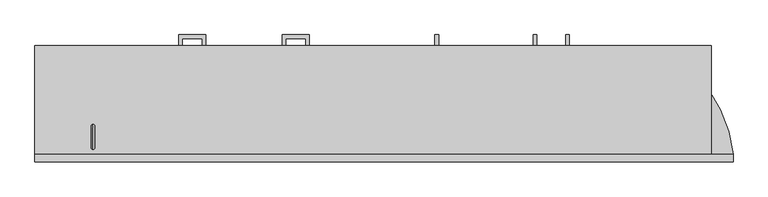
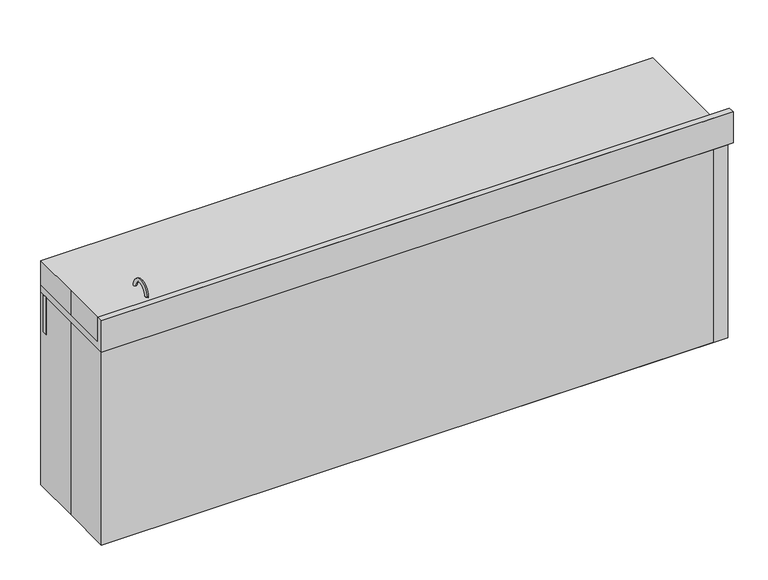
"""IFC4 building model written with IfcOpenShell, lengths in millimetres: proxy geometry."""

from ifc_helpers import new_model, si_unit, point, frame, frame_2d, origin, origin_with_axes, place, context, project, spatial, polyline, circle_curve, ellipse_curve, trimmed, segment, composite_curve, outline, extrude, source, transform, mapped, element, save
from ifc_brep_helpers import plane_surface, cylinder_surface, revolved_surface, advanced_brep


def specialty_equipment_7c618755(model_context):
    return source(origin(), model_context, "Body", "SolidModel", [
        extrude(outline(polyline([(-355.6, 241.3), (-260.35, 241.3), (-260.35, 203.2), (-273.0340701, 203.2), (-273.0340701, 228.6159299), (-342.9159299, 228.6159299), (-342.9159299, 203.2), (-355.6, 203.2), (-355.6, 241.3)])), frame((0.0, 0.0, 447.675), z_axis=(0.0, 0.0, 1.0), x_axis=(1.0, 0.0, 0.0)), (0.0, 0.0, 1.0), 12.7),
        extrude(outline(polyline([(-355.6, 241.3), (-260.35, 241.3), (-260.35, 203.2), (-273.0340701, 203.2), (-273.0340701, 228.6159299), (-342.9159299, 228.6159299), (-342.9159299, 203.2), (-355.6, 203.2), (-355.6, 241.3)])), frame((0.0, 0.0, 559.4775234), z_axis=(0.0, 0.0, 1.0), x_axis=(1.0, 0.0, 0.0)), (0.0, 0.0, 1.0), 12.7),
        extrude(outline(polyline([(-355.6, 241.3), (-260.35, 241.3), (-260.35, 203.2), (-273.0340701, 203.2), (-273.0340701, 228.6159299), (-342.9159299, 228.6159299), (-342.9159299, 203.2), (-355.6, 203.2), (-355.6, 241.3)])), frame((0.0, 0.0, 702.2975909), z_axis=(0.0, 0.0, 1.0), x_axis=(1.0, 0.0, 0.0)), (0.0, 0.0, 1.0), 12.7),
        extrude(outline(polyline([(-717.55, 241.3), (-622.3, 241.3), (-622.3, 203.2), (-634.9840701, 203.2), (-634.9840701, 228.6159299), (-704.8659299, 228.6159299), (-704.8659299, 203.2), (-717.55, 203.2), (-717.55, 241.3)])), frame((0.0, 0.0, 702.2975909), z_axis=(0.0, 0.0, 1.0), x_axis=(1.0, 0.0, 0.0)), (0.0, 0.0, 1.0), 12.7),
        extrude(outline(polyline([(-717.55, 241.3), (-622.3, 241.3), (-622.3, 203.2), (-634.9840701, 203.2), (-634.9840701, 228.6159299), (-704.8659299, 228.6159299), (-704.8659299, 203.2), (-717.55, 203.2), (-717.55, 241.3)])), frame((0.0, 0.0, 559.4775234), z_axis=(0.0, 0.0, 1.0), x_axis=(1.0, 0.0, 0.0)), (0.0, 0.0, 1.0), 12.7),
        extrude(outline(polyline([(-717.55, 241.3), (-622.3, 241.3), (-622.3, 203.2), (-634.9840701, 203.2), (-634.9840701, 228.6159299), (-704.8659299, 228.6159299), (-704.8659299, 203.2), (-717.55, 203.2), (-717.55, 241.3)])), frame((0.0, 0.0, 447.675), z_axis=(0.0, 0.0, 1.0), x_axis=(1.0, 0.0, 0.0)), (0.0, 0.0, 1.0), 12.7),
        extrude(outline(polyline([(-717.55, 241.3), (-622.3, 241.3), (-622.3, 203.2), (-634.9840701, 203.2), (-634.9840701, 228.6159299), (-704.8659299, 228.6159299), (-704.8659299, 203.2), (-717.55, 203.2), (-717.55, 241.3)])), frame((0.0, 0.0, 346.075), z_axis=(0.0, 0.0, 1.0), x_axis=(1.0, 0.0, 0.0)), (0.0, 0.0, 1.0), 12.7),
        extrude(outline(polyline([(-717.55, 241.3), (-622.3, 241.3), (-622.3, 203.2), (-634.9840701, 203.2), (-634.9840701, 228.6159299), (-704.8659299, 228.6159299), (-704.8659299, 203.2), (-717.55, 203.2), (-717.55, 241.3)])), frame((0.0, 0.0, 200.7091385), z_axis=(0.0, 0.0, 1.0), x_axis=(1.0, 0.0, 0.0)), (0.0, 0.0, 1.0), 12.7),
        extrude(outline(polyline([(241.3, 639.5889522), (203.2, 639.5889522), (203.2, 652.2730222), (228.6159299, 652.2730222), (228.6159299, 718.2400602), (203.2, 718.2400602), (203.2, 734.8389522), (241.3, 734.8389522), (241.3, 639.5889522)])), frame((635.0, 0.0, 0.0), z_axis=(1.0, 0.0, 0.0), x_axis=(0.0, 1.0, 0.0)), (0.0, 0.0, 1.0), 12.7),
        extrude(outline(polyline([(241.3, 639.5889522), (203.2, 639.5889522), (203.2, 652.2730222), (228.6159299, 652.2730222), (228.6159299, 718.2400602), (203.2, 718.2400602), (203.2, 734.8389522), (241.3, 734.8389522), (241.3, 639.5889522)])), frame((520.7, 0.0, 0.0), z_axis=(1.0, 0.0, 0.0), x_axis=(0.0, 1.0, 0.0)), (0.0, 0.0, 1.0), 12.7),
        extrude(outline(polyline([(241.3, 639.5889522), (203.2, 639.5889522), (203.2, 652.2730222), (228.6159299, 652.2730222), (228.6159299, 718.2400602), (203.2, 718.2400602), (203.2, 734.8389522), (241.3, 734.8389522), (241.3, 639.5889522)])), frame((177.8, 0.0, 0.0), z_axis=(1.0, 0.0, 0.0), x_axis=(0.0, 1.0, 0.0)), (0.0, 0.0, 1.0), 12.7),
        advanced_brep(
        [(-1014.0443585, 165.0080446, 787.3899582), (-1014.0443585, 153.8955446, 787.3899582), (-1014.0443585, -128.6794554, 787.3899582), (-1014.0443585, -139.7919554, 787.3899582), (-1014.0443585, 152.3080446, 785.8024582), (-1014.0443585, -127.0919554, 785.8024582), (-1014.0443585, 152.3080446, 730.25), (-1014.0443585, -127.0919554, 730.25), (-1014.0443585, 101.5080446, 679.45), (-1014.0443585, 25.2053012, 679.45), (-1003.5461263, 12.6976148, 679.45), (-1014.0443585, 0.1899284, 679.45), (-1014.0443585, -76.2919554, 679.45), (-1028.9461263, 12.6976148, 679.45), (-1014.0443585, 158.6580446, 676.275), (-1014.0443585, 158.6580446, 784.0168572), (-1014.0443585, -133.4419554, 784.0168572), (-1014.0443585, -133.4419554, 676.275), (-1014.0443585, 165.0080446, 784.0168572), (-1014.0443585, -139.7919554, 784.0168572), (-1014.0443585, 0.1899284, 676.275), (-1003.5461263, 12.6976148, 676.275), (-1014.0443585, 25.2053012, 676.275), (-1028.9461263, 12.6976148, 676.275)],
        [
            (0, 1),
            (1, 2, circle_curve(frame((-1014.0443585, 12.6080446, 787.3899582), z_axis=(0.0, 0.0, -1.0), x_axis=(0.0, -1.0, 0.0)), 141.2875)),
            (2, 3),
            (3, 0, circle_curve(frame((-1014.0443585, 12.6080446, 787.3899582), z_axis=(0.0, 0.0, 1.0), x_axis=(0.0, -1.0, 0.0)), 152.4)),
            (2, 1, circle_curve(frame((-1014.0443585, 12.6080446, 787.3899582), z_axis=(0.0, 0.0, -1.0), x_axis=(0.0, -1.0, 0.0)), 141.2875)),
            (0, 3, circle_curve(frame((-1014.0443585, 12.6080446, 787.3899582), z_axis=(0.0, 0.0, 1.0), x_axis=(0.0, -1.0, 0.0)), 152.4)),
            (1, 4, circle_curve(frame((-1014.0443585, 153.8955446, 785.8024582), z_axis=(1.0, 0.0, 0.0), x_axis=(0.0, 1.0, 0.0)), 1.5875)),
            (4, 5, circle_curve(frame((-1014.0443585, 12.6080446, 785.8024582), z_axis=(0.0, 0.0, -1.0), x_axis=(0.0, -1.0, 0.0)), 139.7)),
            (5, 2, circle_curve(frame((-1014.0443585, -128.6794554, 785.8024582), z_axis=(1.0, 0.0, 0.0), x_axis=(0.0, -1.0, 0.0)), 1.5875)),
            (5, 4, circle_curve(frame((-1014.0443585, 12.6080446, 785.8024582), z_axis=(0.0, 0.0, -1.0), x_axis=(0.0, -1.0, 0.0)), 139.7)),
            (4, 6),
            (6, 7, circle_curve(frame((-1014.0443585, 12.6080446, 730.25), z_axis=(0.0, 0.0, -1.0), x_axis=(0.0, -1.0, 0.0)), 139.7)),
            (7, 5),
            (7, 6, circle_curve(frame((-1014.0443585, 12.6080446, 730.25), z_axis=(0.0, 0.0, -1.0), x_axis=(0.0, -1.0, 0.0)), 139.7)),
            (8, 9),
            (9, 10, circle_curve(frame((-1016.2461263, 12.6976148, 679.45), z_axis=(0.0, 0.0, -1.0), x_axis=(-1.0, 0.0, 0.0)), 12.7)),
            (10, 11, circle_curve(frame((-1016.2461263, 12.6976148, 679.45), z_axis=(0.0, 0.0, -1.0), x_axis=(-1.0, 0.0, 0.0)), 12.7)),
            (11, 12),
            (12, 8, circle_curve(frame((-1014.0443585, 12.6080446, 679.45), z_axis=(0.0, 0.0, 1.0), x_axis=(0.0, -1.0, 0.0)), 88.9)),
            (11, 13, circle_curve(frame((-1016.2461263, 12.6976148, 679.45), z_axis=(0.0, 0.0, -1.0), x_axis=(-1.0, 0.0, 0.0)), 12.7)),
            (13, 9, circle_curve(frame((-1016.2461263, 12.6976148, 679.45), z_axis=(0.0, 0.0, -1.0), x_axis=(-1.0, 0.0, 0.0)), 12.7)),
            (8, 12, circle_curve(frame((-1014.0443585, 12.6080446, 679.45), z_axis=(0.0, 0.0, 1.0), x_axis=(0.0, -1.0, 0.0)), 88.9)),
            (14, 15),
            (15, 16, circle_curve(frame((-1014.0443585, 12.6080446, 784.0168572), z_axis=(0.0, 0.0, -1.0), x_axis=(0.0, -1.0, 0.0)), 146.05)),
            (16, 17),
            (17, 14, circle_curve(frame((-1014.0443585, 12.6080446, 676.275), z_axis=(0.0, 0.0, 1.0), x_axis=(0.0, -1.0, 0.0)), 146.05)),
            (16, 15, circle_curve(frame((-1014.0443585, 12.6080446, 784.0168572), z_axis=(0.0, 0.0, -1.0), x_axis=(0.0, -1.0, 0.0)), 146.05)),
            (14, 17, circle_curve(frame((-1014.0443585, 12.6080446, 676.275), z_axis=(0.0, 0.0, 1.0), x_axis=(0.0, -1.0, 0.0)), 146.05)),
            (15, 18),
            (18, 19, circle_curve(frame((-1014.0443585, 12.6080446, 784.0168572), z_axis=(0.0, 0.0, -1.0), x_axis=(0.0, -1.0, 0.0)), 152.4)),
            (19, 16),
            (19, 18, circle_curve(frame((-1014.0443585, 12.6080446, 784.0168572), z_axis=(0.0, 0.0, -1.0), x_axis=(0.0, -1.0, 0.0)), 152.4)),
            (3, 19),
            (18, 0),
            (17, 20),
            (20, 21, circle_curve(frame((-1016.2461263, 12.6976148, 676.275), z_axis=(0.0, 0.0, 1.0), x_axis=(-1.0, 0.0, 0.0)), 12.7)),
            (21, 22, circle_curve(frame((-1016.2461263, 12.6976148, 676.275), z_axis=(0.0, 0.0, 1.0), x_axis=(-1.0, 0.0, 0.0)), 12.7)),
            (22, 14),
            (22, 23, circle_curve(frame((-1016.2461263, 12.6976148, 676.275), z_axis=(0.0, 0.0, 1.0), x_axis=(-1.0, 0.0, 0.0)), 12.7)),
            (23, 20, circle_curve(frame((-1016.2461263, 12.6976148, 676.275), z_axis=(0.0, 0.0, 1.0), x_axis=(-1.0, 0.0, 0.0)), 12.7)),
            (6, 8, circle_curve(frame((-1014.0443585, 101.5080446, 730.25), z_axis=(-1.0, 0.0, 0.0), x_axis=(0.0, 1.0, 0.0)), 50.8)),
            (12, 7, circle_curve(frame((-1014.0443585, -76.2919554, 730.25), z_axis=(-1.0, 0.0, 0.0), x_axis=(0.0, -1.0, 0.0)), 50.8)),
            (21, 10),
            (13, 23),
        ],
        [
            plane_surface(frame((-1014.0443585, 12.6080446, 787.3899582), z_axis=(0.0, 0.0, 1.0), x_axis=(0.0, -1.0, 0.0))),
            revolved_surface(trimmed(ellipse_curve(frame((-1014.0443585, -128.6794554, 785.8024582), z_axis=(1.0, 0.0, 0.0), x_axis=(0.0, -1.0, 0.0)), 1.5875, 1.5875), [point((-1014.0443585, -127.0919554, 785.8024582))], [point((-1014.0443585, -128.6794554, 787.3899582))], True, "CARTESIAN"), (-1014.0443585, 12.6080446, 787.4), (0.0, 0.0, -1.0)),
            revolved_surface(polyline([(-1014.0443585, -127.09195539999999, 730.25), (-1014.0443585, -127.09195539999999, 785.8024582)]), (-1014.0443585, 12.6080446, 787.4), (0.0, 0.0, -1.0)),
            plane_surface(frame((-1014.0443585, 12.6080446, 679.45), z_axis=(0.0, 0.0, 1.0), x_axis=(0.0, -1.0, 0.0))),
            cylinder_surface(frame((-1014.0443585, 12.6080446, 787.4), z_axis=(0.0, 0.0, -1.0), x_axis=(0.0, -1.0, 0.0)), 146.05),
            plane_surface(frame((-1014.0443585, 12.6080446, 784.0168572), z_axis=(0.0, 0.0, -1.0), x_axis=(0.0, -1.0, 0.0))),
            cylinder_surface(frame((-1014.0443585, 12.6080446, 787.4), z_axis=(0.0, 0.0, -1.0), x_axis=(0.0, -1.0, 0.0)), 152.4),
            plane_surface(frame((-1014.0443585, 12.6080446, 676.275), z_axis=(0.0, 0.0, -1.0), x_axis=(0.0, -1.0, 0.0))),
            revolved_surface(trimmed(ellipse_curve(frame((-1014.0443585, -76.2919554, 730.25), z_axis=(-1.0, 0.0, 0.0), x_axis=(0.0, -1.0, 0.0)), 50.8, 50.8), [point((-1014.0443585, -76.2919554, 679.45))], [point((-1014.0443585, -127.0919554, 730.25))], True, "CARTESIAN"), (-1014.0443585, 12.6080446, 787.4), (0.0, 0.0, -1.0)),
            revolved_surface(polyline([(-1028.9461263, 12.6976148, 679.45), (-1028.9461263, 12.6976148, 676.275)]), (-1016.2461263, 12.6976148, 673.1), (0.0, 0.0, 1.0)),
        ],
        [
            (0, [[1, 2, 3, 4]]),
            (0, [[5, -1, 6, -3]]),
            (1, [[7, 8, 9, -2]]),
            (1, [[-9, 10, -7, -5]]),
            (2, [[11, 12, 13, -8]]),
            (2, [[-13, 14, -11, -10]]),
            (3, [[15, 16, 17, 18, 19]]),
            (3, [[-18, 20, 21, -15, 22]]),
            (4, [[23, 24, 25, 26]]),
            (4, [[27, -23, 28, -25]]),
            (5, [[29, 30, 31, -24]]),
            (5, [[-31, 32, -29, -27]]),
            (6, [[33, -30, 34, -4]]),
            (6, [[-34, -32, -33, -6]]),
            (7, [[35, 36, 37, 38, -26]]),
            (7, [[-38, 39, 40, -35, -28]]),
            (8, [[41, -19, 42, -12]]),
            (8, [[-42, -22, -41, -14]]),
            (9, [[-39, -37, 43, -16, -21, 44]]),
            (9, [[-20, -17, -43, -36, -40, -44]]),
        ],
    ),
        extrude(outline(polyline([(-1219.2, 184.15), (-850.9, 184.15), (-850.9, 165.1), (-1219.2, 165.1), (-1219.2, 184.15)])), frame((0.0, 0.0, 635.0), z_axis=(0.0, 0.0, 1.0), x_axis=(1.0, 0.0, 0.0)), (0.0, 0.0, 1.0), 152.4),
        extrude(outline(polyline([(184.15, 101.6), (184.15, 787.2846899), (193.675, 787.2846899), (193.675, 774.4822891), (203.2, 774.4822891), (203.2, 101.6), (184.15, 101.6)])), frame((584.2, 0.0, 0.0), z_axis=(1.0, 0.0, 0.0), x_axis=(0.0, 1.0, 0.0)), (0.0, 0.0, 1.0), 355.6),
        extrude(outline(polyline([(184.15, 101.6), (184.15, 787.4), (193.675, 787.4), (193.675, 774.7), (203.2, 774.7), (203.2, 101.6), (184.15, 101.6)])), frame((228.6, 0.0, 0.0), z_axis=(1.0, 0.0, 0.0), x_axis=(0.0, 1.0, 0.0)), (0.0, 0.0, 1.0), 355.6),
        extrude(outline(polyline([(184.15, 101.6), (184.15, 787.4), (193.675, 787.4), (193.675, 774.7), (203.2, 774.7), (203.2, 101.6), (184.15, 101.6)])), frame((-127.0, 0.0, 0.0), z_axis=(1.0, 0.0, 0.0), x_axis=(0.0, 1.0, 0.0)), (0.0, 0.0, 1.0), 355.6),
        extrude(outline(polyline([(193.675, 774.7), (203.2, 774.7), (203.2, 635.0), (184.15, 635.0), (184.15, 787.4), (193.675, 787.4), (193.675, 774.7)])), frame((-482.6, 0.0, 0.0), z_axis=(1.0, 0.0, 0.0), x_axis=(0.0, 1.0, 0.0)), (0.0, 0.0, 1.0), 355.6),
        extrude(outline(polyline([(193.675, 622.9156171), (203.2, 622.9156171), (203.2, 508.0524006), (184.15, 508.0524006), (184.15, 635.0), (193.675, 635.0), (193.675, 622.9156171)])), frame((-482.6, 0.0, 0.0), z_axis=(1.0, 0.0, 0.0), x_axis=(0.0, 1.0, 0.0)), (0.0, 0.0, 1.0), 355.6),
        extrude(outline(polyline([(193.675, 495.2120809), (203.2, 495.2120809), (203.2, 101.6), (184.15, 101.6), (184.15, 508.0517033), (193.675, 508.0517033), (193.675, 495.2120809)])), frame((-482.6, 0.0, 0.0), z_axis=(1.0, 0.0, 0.0), x_axis=(0.0, 1.0, 0.0)), (0.0, 0.0, 1.0), 355.6),
        extrude(outline(composite_curve([segment(trimmed(circle_curve(frame_2d((-1053.7479232, -156.0133962)), 12.7), [point((-1041.0479232, -156.0133962))], [point((-1066.4479232, -156.0133962))], False, "CARTESIAN"), True, "CONTINUOUS"), segment(trimmed(circle_curve(frame_2d((-1053.7479232, -156.0133962)), 12.7), [point((-1066.4479232, -156.0133962))], [point((-1041.0479232, -156.0133962))], False, "CARTESIAN"), True, "CONTINUOUS")], self_intersect=False)), frame((0.0, 0.0, 812.8), z_axis=(0.0, 0.0, 1.0), x_axis=(1.0, 0.0, 0.0)), (0.0, 0.0, 1.0), 31.75),
        extrude(outline(composite_curve([segment(trimmed(circle_curve(frame_2d((-980.5384765, -156.0133962)), 12.7), [point((-967.8384765, -156.0133962))], [point((-993.2384765, -156.0133962))], False, "CARTESIAN"), True, "CONTINUOUS"), segment(trimmed(circle_curve(frame_2d((-980.5384765, -156.0133962)), 12.7), [point((-993.2384765, -156.0133962))], [point((-967.8384765, -156.0133962))], False, "CARTESIAN"), True, "CONTINUOUS")], self_intersect=False)), frame((0.0, 0.0, 812.8), z_axis=(0.0, 0.0, 1.0), x_axis=(1.0, 0.0, 0.0)), (0.0, 0.0, 1.0), 31.75),
        advanced_brep(
        [(-1016.415785, -148.0147812, 812.8), (-1016.415785, -160.7147812, 812.8), (-1016.415785, -148.0147812, 914.4), (-1016.415785, -160.7147812, 914.4), (-1016.415785, -84.5147812, 914.4), (-1016.415785, -71.8147812, 914.4)],
        [
            (0, 1, circle_curve(frame((-1016.415785, -154.3647812, 812.8), z_axis=(0.0, 0.0, -1.0), x_axis=(0.0, -1.0, 0.0)), 6.35)),
            (1, 0, circle_curve(frame((-1016.415785, -154.3647812, 812.8), z_axis=(0.0, 0.0, -1.0), x_axis=(0.0, -1.0, 0.0)), 6.35)),
            (0, 2),
            (2, 3, circle_curve(frame((-1016.415785, -154.3647812, 914.4), z_axis=(0.0, 0.0, -1.0), x_axis=(0.0, -1.0, 0.0)), 6.35)),
            (3, 1),
            (3, 2, circle_curve(frame((-1016.415785, -154.3647812, 914.4), z_axis=(0.0, 0.0, -1.0), x_axis=(0.0, -1.0, 0.0)), 6.35)),
            (4, 5, circle_curve(frame((-1016.415785, -78.1647812, 914.4), z_axis=(0.0, 0.0, -1.0), x_axis=(0.0, 1.0, 0.0)), 6.35)),
            (5, 4, circle_curve(frame((-1016.415785, -78.1647812, 914.4), z_axis=(0.0, 0.0, -1.0), x_axis=(0.0, 1.0, 0.0)), 6.35)),
            (5, 3, circle_curve(frame((-1016.415785, -116.2647812, 914.4), z_axis=(1.0, 0.0, 0.0), x_axis=(0.0, -1.0, 0.0)), 44.45)),
            (2, 4, circle_curve(frame((-1016.415785, -116.2647812, 914.4), z_axis=(-1.0, 0.0, 0.0), x_axis=(0.0, -1.0, 0.0)), 31.75)),
        ],
        [
            plane_surface(frame((-1104.9, -154.3647812, 812.8), z_axis=(0.0, 0.0, -1.0), x_axis=(-1.0, 0.0, 0.0))),
            cylinder_surface(frame((-1016.415785, -154.3647812, 812.8), z_axis=(0.0, 0.0, -1.0), x_axis=(0.0, -1.0, 0.0)), 6.35),
            plane_surface(frame((-1104.9, -78.1647812, 914.4), z_axis=(0.0, 0.0, -1.0), x_axis=(-1.0, 0.0, 0.0))),
            revolved_surface(trimmed(ellipse_curve(frame((-1016.415785, -154.3647812, 914.4), z_axis=(0.0, 0.0, 1.0), x_axis=(0.0, -1.0, 0.0)), 6.35, 6.35), [point((-1016.415785, -160.7147812, 914.4))], [point((-1016.415785, -148.0147812, 914.4))], True, "CARTESIAN"), (-1104.9, -116.2647812, 914.4), (1.0, 0.0, 0.0)),
            revolved_surface(trimmed(ellipse_curve(frame((-1016.415785, -154.3647812, 914.4), z_axis=(0.0, 0.0, 1.0), x_axis=(0.0, -1.0, 0.0)), 6.35, 6.35), [point((-1016.415785, -148.0147812, 914.4))], [point((-1016.415785, -160.7147812, 914.4))], True, "CARTESIAN"), (-1104.9, -116.2647812, 914.4), (1.0, 0.0, 0.0)),
        ],
        [
            (0, [[1, 2]]),
            (1, [[3, 4, 5, -1]]),
            (1, [[-5, 6, -3, -2]]),
            (2, [[7, 8]]),
            (3, [[-8, 9, -4, 10]]),
            (4, [[-7, -10, -6, -9]]),
        ],
    ),
        extrude(outline(polyline([(193.675, 774.7), (203.2, 774.7), (203.2, 635.0), (184.15, 635.0), (184.15, 787.4), (193.675, 787.4), (193.675, 774.7)])), frame((-838.2, 0.0, 0.0), z_axis=(1.0, 0.0, 0.0), x_axis=(0.0, 1.0, 0.0)), (0.0, 0.0, 1.0), 355.6),
        extrude(outline(polyline([(193.675, 622.9156171), (203.2, 622.9156171), (203.2, 508.0), (184.15, 508.0), (184.15, 635.0), (193.675, 635.0), (193.675, 622.9156171)])), frame((-838.2, 0.0, 0.0), z_axis=(1.0, 0.0, 0.0), x_axis=(0.0, 1.0, 0.0)), (0.0, 0.0, 1.0), 355.6),
        extrude(outline(polyline([(193.675, 495.3), (203.2, 495.3), (203.2, 406.4), (184.15, 406.4), (184.15, 508.0), (193.675, 508.0), (193.675, 495.3)])), frame((-838.2, 0.0, 0.0), z_axis=(1.0, 0.0, 0.0), x_axis=(0.0, 1.0, 0.0)), (0.0, 0.0, 1.0), 355.6),
        extrude(outline(polyline([(193.675, 393.7), (203.2, 393.7), (203.2, 304.8), (184.15, 304.8), (184.15, 406.4), (193.675, 406.4), (193.675, 393.7)])), frame((-838.2, 0.0, 0.0), z_axis=(1.0, 0.0, 0.0), x_axis=(0.0, 1.0, 0.0)), (0.0, 0.0, 1.0), 355.6),
        extrude(outline(polyline([(193.675, 292.1), (203.2, 292.1), (203.2, 101.6), (184.15, 101.6), (184.15, 304.8), (193.675, 304.8), (193.675, 292.1)])), frame((-838.2, 0.0, 0.0), z_axis=(1.0, 0.0, 0.0), x_axis=(0.0, 1.0, 0.0)), (0.0, 0.0, 1.0), 355.6),
        advanced_brep(
        [(-1219.2, -177.8, 914.4), (-1219.2, -177.8, 812.8), (-1219.2, 203.2, 812.8), (-1219.2, 203.2, 787.4), (-1219.2, -203.2, 787.4), (-1219.2, -203.2, 914.4), (1219.2, -177.8, 914.4), (1219.2, -177.8, 863.6), (1219.2, -177.8, 812.8), (939.8, 203.2, 812.8), (-874.2071906, 12.5959993, 812.8), (-1153.6071906, 12.5959993, 812.8), (939.8, 203.2, 787.4), (1219.2, -177.8, 787.4), (1219.2, -203.2, 787.4), (-1153.6071906, 12.5959993, 787.4), (-874.2071906, 12.5959993, 787.4), (1219.2, -203.2, 914.4)],
        [
            (0, 1),
            (1, 2),
            (2, 3),
            (3, 4),
            (4, 5),
            (5, 0),
            (0, 6),
            (6, 7),
            (7, 8),
            (8, 1),
            (8, 9, circle_curve(frame((763.8405952, -218.7835635, 812.8), z_axis=(0.0, 0.0, 1.0), x_axis=(1.0, 0.0, 0.0)), 457.2)),
            (9, 2),
            (10, 11, circle_curve(frame((-1013.9071906, 12.5959993, 812.8), z_axis=(0.0, 0.0, -1.0), x_axis=(-1.0, 0.0, 0.0)), 139.7)),
            (11, 10, circle_curve(frame((-1013.9071906, 12.5959993, 812.8), z_axis=(0.0, 0.0, -1.0), x_axis=(-1.0, 0.0, 0.0)), 139.7)),
            (9, 12),
            (12, 3),
            (12, 13, circle_curve(frame((763.8405952, -218.7835635, 787.4), z_axis=(0.0, 0.0, -1.0), x_axis=(1.0, 0.0, 0.0)), 457.2)),
            (13, 14),
            (14, 4),
            (15, 16, circle_curve(frame((-1013.9071906, 12.5959993, 787.4), z_axis=(0.0, 0.0, 1.0), x_axis=(-1.0, 0.0, 0.0)), 139.7)),
            (16, 15, circle_curve(frame((-1013.9071906, 12.5959993, 787.4), z_axis=(0.0, 0.0, 1.0), x_axis=(-1.0, 0.0, 0.0)), 139.7)),
            (17, 5),
            (14, 17),
            (17, 6),
            (16, 10),
            (11, 15),
            (13, 8),
        ],
        [
            plane_surface(frame((-1219.2, -177.8, 812.8), z_axis=(-1.0, 0.0, 0.0), x_axis=(0.0, 0.0, 1.0))),
            plane_surface(frame((1219.2, -177.8, 914.4), z_axis=(0.0, 1.0, 0.0), x_axis=(-1.0, 0.0, 0.0))),
            plane_surface(frame((1219.2, -177.8, 812.8), z_axis=(0.0, 0.0, 1.0), x_axis=(-1.0, 0.0, 0.0))),
            plane_surface(frame((1219.2, 203.2, 812.8), z_axis=(0.0, 1.0, 0.0), x_axis=(-1.0, 0.0, 0.0))),
            plane_surface(frame((1219.2, 203.2, 787.4), z_axis=(0.0, 0.0, -1.0), x_axis=(-1.0, 0.0, 0.0))),
            plane_surface(frame((1219.2, -203.2, 787.4), z_axis=(0.0, -1.0, 0.0), x_axis=(-1.0, 0.0, 0.0))),
            plane_surface(frame((1219.2, -203.2, 914.4), z_axis=(0.0, 0.0, 1.0), x_axis=(-1.0, 0.0, 0.0))),
            revolved_surface(polyline([(-1153.6071906, 12.5959993, 812.8), (-1153.6071906, 12.5959993, 787.4)]), (-1013.9071906, 12.5959993, 768.35), (0.0, 0.0, 1.0)),
            plane_surface(frame((1219.2, -177.8, 812.8), z_axis=(1.0, 0.0, 0.0), x_axis=(0.0, 0.0, -1.0))),
            cylinder_surface(frame((763.8405952, -218.7835635, 736.6), z_axis=(0.0, 0.0, -1.0), x_axis=(1.0, 0.0, 0.0)), 457.2),
        ],
        [
            (0, [[1, 2, 3, 4, 5, 6]]),
            (1, [[7, 8, 9, 10, -1]]),
            (2, [[-10, 11, 12, -2], [13, 14]]),
            (3, [[-12, 15, 16, -3]]),
            (4, [[-16, 17, 18, 19, -4], [20, 21]]),
            (5, [[22, -5, -19, 23]]),
            (6, [[-7, -6, -22, 24]]),
            (7, [[-21, 25, -14, 26]]),
            (7, [[-13, -25, -20, -26]]),
            (8, [[-18, 27, -9, -8, -24, -23]]),
            (9, [[-17, -15, -11, -27]]),
        ],
    ),
        extrude(outline(polyline([(-1219.2, -203.2), (-1219.2, 0.0), (-1219.2, 203.2), (1143.0, 203.2), (1143.0, -203.2), (-1219.2, -203.2)])), origin_with_axes(), (0.0, 0.0, 1.0), 914.4),
        extrude(outline(polyline([(-184.15, 785.890324), (184.15, 785.890324), (184.15, 101.6), (165.1, 101.6), (165.1, 0.0), (-184.15, 0.0), (-184.15, 785.890324)])), frame((939.8, 0.0, 0.0), z_axis=(1.0, 0.0, 0.0), x_axis=(0.0, 1.0, 0.0)), (0.0, 0.0, 1.0), 12.7),
        extrude(outline(polyline([(1199.3554733, -184.15), (1199.3554733, -203.2), (-850.9, -203.2), (-850.9, -184.15), (1199.3554733, -184.15)])), origin_with_axes(), (0.0, 0.0, 1.0), 787.6898809),
        extrude(outline(polyline([(-117.475, -184.15), (-136.525, -184.15), (-136.525, 184.15), (-117.475, 184.15), (-117.475, -184.15)])), frame((0.0, 0.0, 120.7166954), z_axis=(0.0, 0.0, 1.0), x_axis=(1.0, 0.0, 0.0)), (0.0, 0.0, 1.0), 653.9833046),
        extrude(outline(polyline([(-184.15, 787.4), (184.15, 787.4), (184.15, 101.6), (165.1, 101.6), (165.1, 0.0), (-184.15, 0.0), (-184.15, 787.4)])), frame((-850.9, 0.0, 0.0), z_axis=(1.0, 0.0, 0.0), x_axis=(0.0, 1.0, 0.0)), (0.0, 0.0, 1.0), 12.7),
        extrude(outline(polyline([(-473.075, -184.15), (-492.125, -184.15), (-492.125, 184.15), (-473.075, 184.15), (-473.075, -184.15)])), frame((0.0, 0.0, 120.7166954), z_axis=(0.0, 0.0, 1.0), x_axis=(1.0, 0.0, 0.0)), (0.0, 0.0, 1.0), 666.6833046),
        extrude(outline(polyline([(952.5, 184.15), (952.5, 165.1), (-850.9, 165.1), (-850.9, 184.15), (952.5, 184.15)])), origin_with_axes(), (0.0, 0.0, 1.0), 101.6),
        extrude(outline(polyline([(-838.2, -184.15), (-838.2, 184.15), (939.8, 184.15), (939.8, -184.15), (-838.2, -184.15)])), frame((0.0, 0.0, 101.6), z_axis=(0.0, 0.0, 1.0), x_axis=(1.0, 0.0, 0.0)), (0.0, 0.0, 1.0), 19.1166954),
    ])


if __name__ == "__main__":
    model = new_model("IFC4")
    model_context = context("Model", 3, world=origin())
    ifc_project = project(units=[si_unit("LENGTHUNIT", "METRE", prefix="MILLI")], contexts=[model_context])
    site = spatial("IfcSite", under=ifc_project)
    building = spatial("IfcBuilding", under=site)
    placement = place(None, origin())
    specialty_equipment_shape = specialty_equipment_7c618755(model_context)
    element("IfcBuildingElementProxy", 1, Name="Specialty Equipment", at=placement, inside=building, context=model_context, shape_type="MappedRepresentation", body=[
        mapped(specialty_equipment_shape, transform((0.0, 0.0, 0.0), x_axis=(1.0, 0.0, 0.0), y_axis=(0.0, 1.0, 0.0), z_axis=(0.0, 0.0, 1.0))),
    ])
    save(model, "model.ifc")
